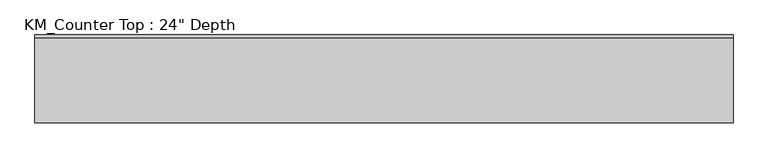
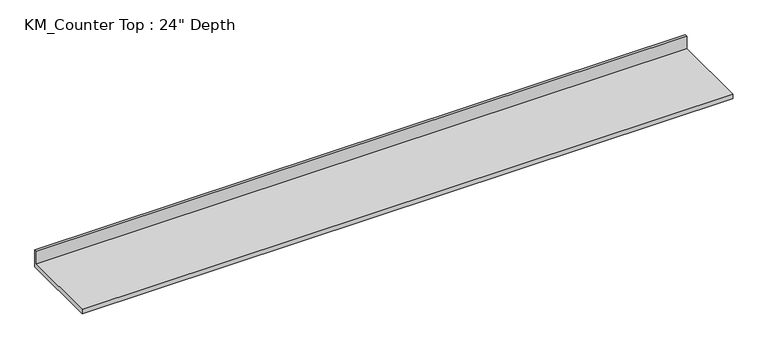
"""IFC4 building model written with IfcOpenShell, lengths in millimetres: furniture geometry."""

from ifc_helpers import new_model, si_unit, frame, origin, place, context, project, spatial, polyline, outline, extrude, source, transform, mapped, element, save


def furniture_e63467ec(model_context):
    return source(origin(), model_context, "Body", "SweptSolid", [
        extrude(outline(polyline([(0.0, 965.2), (0.0, 825.5), (-635.0, 825.5), (-635.0, 863.6), (-19.05, 863.6), (-19.05, 965.2), (0.0, 965.2)])), frame((-1200.4622951, 0.0, 0.0), z_axis=(1.0, 0.0, 0.0), x_axis=(0.0, 1.0, 0.0)), (0.0, 0.0, 1.0), 5054.6),
    ])


if __name__ == "__main__":
    model = new_model("IFC4")
    model_context = context("Model", 3, world=origin())
    ifc_project = project(units=[si_unit("LENGTHUNIT", "METRE", prefix="MILLI")], contexts=[model_context])
    site = spatial("IfcSite", under=ifc_project)
    building = spatial("IfcBuilding", under=site)
    placement = place(None, origin())
    furniture_shape = furniture_e63467ec(model_context)
    element("IfcFurniture", 1, ObjectType="KM_Counter Top : 24\" Depth", at=placement, inside=building, context=model_context, shape_type="MappedRepresentation", body=[
        mapped(furniture_shape, transform((0.0, 0.0, 0.0), x_axis=(1.0, 0.0, 0.0), y_axis=(0.0, 1.0, 0.0), z_axis=(0.0, 0.0, 1.0))),
    ])
    save(model, "model.ifc")
